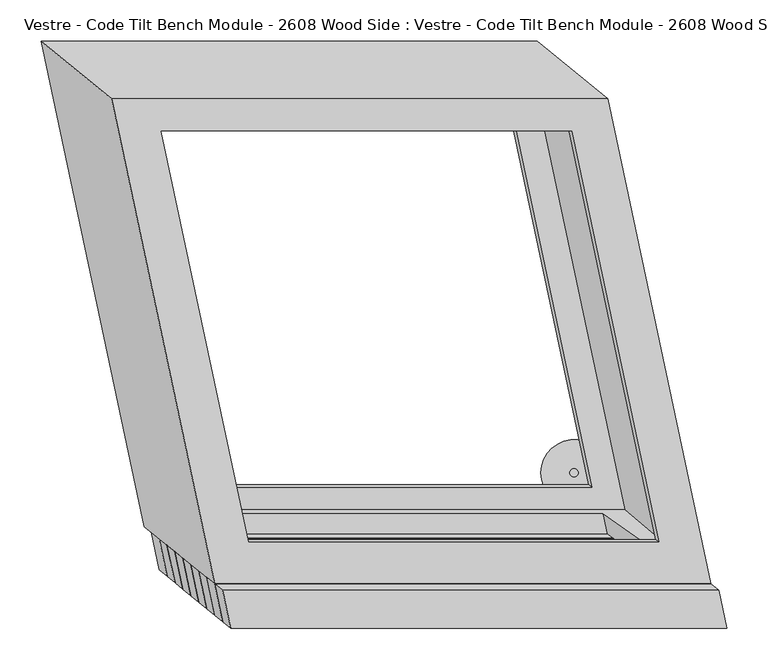
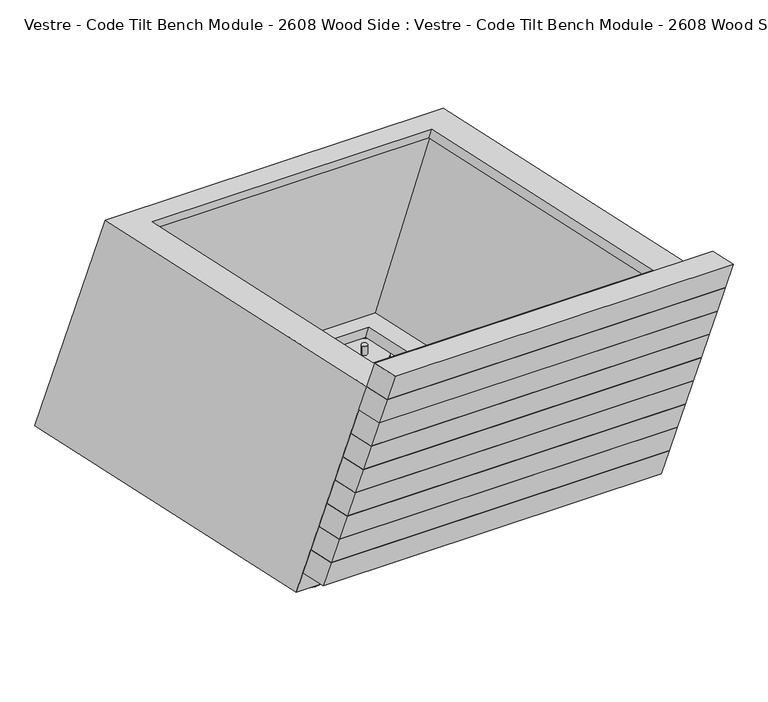
"""IFC4 building model written with IfcOpenShell, lengths in millimetres: furniture geometry, Vestre - Code Tilt Bench Module - 2608 Wood Side : Vestre - Code Tilt Bench Module - 2608 Wood Side."""

import ifcopenshell
import ifcopenshell.guid

model = None  # the IFC model being written
_history = None  # IfcOwnerHistory: only IFC2X3 demands one
_inside = {}  # id of a spatial element -> (the spatial element, [elements in it])
_under = {}  # id of a project, library or spatial element -> (it, [spatial elements below it])
_declared = {}  # id of a project -> (the project, [libraries it declares])
_typed = {}  # id of a type object -> (the type object, [elements of that type])
_made_of = {}  # id of a material, layer set ... -> (it, [elements and type objects made of it])


def new_model(schema):
    """Start an empty IFC model of exactly this schema.

    Asked for "IFC4X3", IfcOpenShell would pick the latest addendum, in which some entities
    have other attributes; the version numbers below select the first issue.
    IFC2X3 requires an IfcOwnerHistory on every rooted entity: one is made here for all.
    """
    global model, _history
    if schema == "IFC4X3":
        model = ifcopenshell.file(schema_version=(4, 3, 0, 0))
    else:
        model = ifcopenshell.file(schema=schema)
    _inside.clear()
    _under.clear()
    _declared.clear()
    _typed.clear()
    _made_of.clear()
    _history = None
    if model.schema == "IFC2X3":
        org = make("IfcOrganization", Name="unknown")
        user = make(
            "IfcPersonAndOrganization",
            ThePerson=make("IfcPerson", FamilyName="unknown"),
            TheOrganization=org,
        )
        app = make(
            "IfcApplication",
            ApplicationDeveloper=org,
            Version="unknown",
            ApplicationFullName="unknown",
            ApplicationIdentifier="unknown",
        )
        _history = make(
            "IfcOwnerHistory",
            OwningUser=user,
            OwningApplication=app,
            ChangeAction="ADDED",
            CreationDate=0,
        )
    return model


def make(cls, **values):
    """One entity of the class cls with the attributes given. An attribute that is None is left unset."""
    return model.create_entity(
        cls, **{name: value for name, value in values.items() if value is not None}
    )


def rooted(cls, **values):
    """An entity with a GlobalId (a new one), such as an element, a storey or a relation."""
    return make(cls, GlobalId=ifcopenshell.guid.new(), OwnerHistory=_history, **values)


def si_unit(unit_type, name, prefix=None):
    """IfcSIUnit, for example si_unit("LENGTHUNIT", "METRE", prefix="MILLI")."""
    return make("IfcSIUnit", UnitType=unit_type, Prefix=prefix, Name=name)


def assignment(units):
    """IfcUnitAssignment: the units of a project."""
    return None if units is None else make("IfcUnitAssignment", Units=units)


def point(xyz):
    """IfcCartesianPoint."""
    return None if xyz is None else make("IfcCartesianPoint", Coordinates=xyz)


def direction(xyz):
    """IfcDirection."""
    return None if xyz is None else make("IfcDirection", DirectionRatios=xyz)


def frame(location, z_axis=None, x_axis=None):
    """IfcAxis2Placement3D, a coordinate frame: its origin and axes. An axis left out is left unset."""
    return make(
        "IfcAxis2Placement3D",
        Location=point(location),
        Axis=direction(z_axis),
        RefDirection=direction(x_axis),
    )


def frame_2d(location, x_axis=None):
    """IfcAxis2Placement2D, a coordinate frame in the plane: its origin and x axis."""
    return make(
        "IfcAxis2Placement2D", Location=point(location), RefDirection=direction(x_axis)
    )


def origin():
    """The frame at (0, 0, 0) with its axes left unset."""
    return frame((0.0, 0.0, 0.0))


def origin_with_axes():
    """The frame at (0, 0, 0) with the z axis (0, 0, 1) and the x axis (1, 0, 0) written out."""
    return frame((0.0, 0.0, 0.0), z_axis=(0.0, 0.0, 1.0), x_axis=(1.0, 0.0, 0.0))


def place(relative_to, where):
    """IfcLocalPlacement: puts the frame where relative to a parent placement (None: the world)."""
    return make(
        "IfcLocalPlacement", PlacementRelTo=relative_to, RelativePlacement=where
    )


def context(
    kind, dimensions, precision=None, world=None, true_north=None, identifier=None
):
    """IfcGeometricRepresentationContext, for example the 3D "Model" context."""
    return make(
        "IfcGeometricRepresentationContext",
        ContextIdentifier=identifier,
        ContextType=kind,
        CoordinateSpaceDimension=dimensions,
        Precision=precision,
        WorldCoordinateSystem=world,
        TrueNorth=true_north,
    )


def project(units=None, contexts=None):
    """IfcProject with its units and contexts."""
    return rooted(
        "IfcProject",
        Name="project",
        RepresentationContexts=contexts,
        UnitsInContext=assignment(units),
    )


def spatial(cls, under=None, at=None, **own):
    """A site, building, storey or space (cls), placed at a placement, below another one or the project."""
    s = rooted(cls, ObjectPlacement=at, **own)
    if under is not None:
        _under.setdefault(under.id(), (under, []))[1].append(s)
    return s


def circle_curve(where, radius):
    """IfcCircle in the frame where."""
    return make("IfcCircle", Position=where, Radius=radius)


def trimmed(basis, trim1, trim2, sense, master):
    """IfcTrimmedCurve: the piece of a basis curve between two trims."""
    return make(
        "IfcTrimmedCurve",
        BasisCurve=basis,
        Trim1=trim1,
        Trim2=trim2,
        SenseAgreement=sense,
        MasterRepresentation=master,
    )


def segment(curve, same_sense, transition):
    """IfcCompositeCurveSegment."""
    return make(
        "IfcCompositeCurveSegment",
        Transition=transition,
        SameSense=same_sense,
        ParentCurve=curve,
    )


def composite_curve(segments, self_intersect=None):
    """IfcCompositeCurve: segments joined end to end."""
    return make("IfcCompositeCurve", Segments=segments, SelfIntersect=self_intersect)


def outline(outer, holes=None, kind="AREA"):
    """IfcArbitraryClosedProfileDef: a profile drawn as a closed curve; with holes, ...WithVoids."""
    if holes is None:
        return make("IfcArbitraryClosedProfileDef", ProfileType=kind, OuterCurve=outer)
    return make(
        "IfcArbitraryProfileDefWithVoids",
        ProfileType=kind,
        OuterCurve=outer,
        InnerCurves=holes,
    )


def extrude(swept, where, along, depth):
    """IfcExtrudedAreaSolid: the profile swept, set in the frame where, extruded along a direction by depth."""
    return make(
        "IfcExtrudedAreaSolid",
        SweptArea=swept,
        Position=where,
        ExtrudedDirection=direction(along),
        Depth=depth,
    )


def faces_of(points, faces, orient=None, outer=None):
    """IfcFace entities. A face is a list of loops; a loop is a list of indices into points, from 0.

    orient and outer hold one flag for each loop. By default every Orientation is true, the
    first loop of a face is its IfcFaceOuterBound and the others are IfcFaceBound.
    """
    made = []
    for i, loops in enumerate(faces):
        bounds = []
        for j, loop in enumerate(loops):
            is_outer = j == 0 if outer is None else outer[i][j]
            bounds.append(
                make(
                    "IfcFaceOuterBound" if is_outer else "IfcFaceBound",
                    Bound=make("IfcPolyLoop", Polygon=[points[k] for k in loop]),
                    Orientation=True if orient is None else orient[i][j],
                )
            )
        made.append(make("IfcFace", Bounds=bounds))
    return made


def faceted_brep(points, faces, orient=None, outer=None, voids=None):
    """IfcFacetedBrep: a solid bounded by flat faces; with voids (closed shells), ...WithVoids."""
    shared = [point(p) for p in points]
    hull = make("IfcClosedShell", CfsFaces=faces_of(shared, faces, orient, outer))
    if voids is None:
        return make("IfcFacetedBrep", Outer=hull)
    return make(
        "IfcFacetedBrepWithVoids",
        Outer=hull,
        Voids=[
            make(cls, CfsFaces=faces_of(shared, fs, o, b)) for cls, fs, o, b in voids
        ],
    )


def shape(context_of_items, identifier, shape_type, items):
    """IfcShapeRepresentation: the items that make up one representation, for example the "Body"."""
    return make(
        "IfcShapeRepresentation",
        ContextOfItems=context_of_items,
        RepresentationIdentifier=identifier,
        RepresentationType=shape_type,
        Items=items,
    )


def source(mapping_origin, context_of_items, identifier, shape_type, items):
    """IfcRepresentationMap: a shape defined once, which mapped items show again and again."""
    return make(
        "IfcRepresentationMap",
        MappingOrigin=mapping_origin,
        MappedRepresentation=shape(context_of_items, identifier, shape_type, items),
    )


def transform(
    local_origin,
    x_axis=None,
    y_axis=None,
    z_axis=None,
    scale=None,
    scale2=None,
    scale3=None,
    uniform=True,
):
    """IfcCartesianTransformationOperator3D, or its non-uniform kind. x_axis, y_axis, z_axis: its Axis1, 2, 3."""
    if uniform:
        return make(
            "IfcCartesianTransformationOperator3D",
            Axis1=direction(x_axis),
            Axis2=direction(y_axis),
            LocalOrigin=point(local_origin),
            Scale=scale,
            Axis3=direction(z_axis),
        )
    return make(
        "IfcCartesianTransformationOperator3DnonUniform",
        Axis1=direction(x_axis),
        Axis2=direction(y_axis),
        LocalOrigin=point(local_origin),
        Scale=scale,
        Axis3=direction(z_axis),
        Scale2=scale2,
        Scale3=scale3,
    )


def mapped(mapping_source, mapping_target):
    """IfcMappedItem: shows the shape of a source again, moved by a transform."""
    return make(
        "IfcMappedItem", MappingSource=mapping_source, MappingTarget=mapping_target
    )


def made_of(thing, what):
    """Note that an element or type object is made of a material, layer set ...; save() writes the relation."""
    if what is not None:
        _made_of.setdefault(what.id(), (what, []))[1].append(thing)
    return thing


def element(
    cls,
    number,
    at=None,
    inside=None,
    cuts=None,
    type_object=None,
    material=None,
    context=None,
    identifier="Body",
    shape_type=None,
    held_by="IfcProductDefinitionShape",
    body=None,
    shapes=None,
    **own,
):
    """One element of the class cls, such as IfcWall. Its Tag is "e" and its number.

    at: its placement. inside: the storey or other place that contains it. cuts: it is an
    opening in that element (IfcRelVoidsElement). A single representation is given by context,
    identifier, shape_type and body (its items); several are given by shapes. held_by: the class
    of the entity that holds the representations. save() writes the other relations.
    """
    e = rooted(cls, Tag="e%d" % number, ObjectPlacement=at, **own)
    if body is not None:
        shapes = [shape(context, identifier, shape_type, body)]
    if shapes is not None:
        e.Representation = make(held_by, Representations=shapes)
    if inside is not None:
        _inside.setdefault(inside.id(), (inside, []))[1].append(e)
    if cuts is not None:
        rooted(
            "IfcRelVoidsElement", RelatingBuildingElement=cuts, RelatedOpeningElement=e
        )
    if type_object is not None:
        _typed.setdefault(type_object.id(), (type_object, []))[1].append(e)
    return made_of(e, material)


def aggregate(whole, parts):
    """IfcRelAggregates: a whole, such as a stair, and the parts it consists of."""
    return rooted("IfcRelAggregates", RelatingObject=whole, RelatedObjects=parts)


def save(model, path):
    """Write the relations noted so far, then the file.

    IfcRelAggregates (storeys below a building ...), IfcRelContainedInSpatialStructure (elements
    in a storey), IfcRelDefinesByType, IfcRelAssociatesMaterial and IfcRelDeclares: one each for
    every whole, place, type object, material and project.
    """
    for whole, parts in _under.values():
        aggregate(whole, parts)
    for where, things in _inside.values():
        rooted(
            "IfcRelContainedInSpatialStructure",
            RelatedElements=things,
            RelatingStructure=where,
        )
    for kind, things in _typed.values():
        rooted("IfcRelDefinesByType", RelatedObjects=things, RelatingType=kind)
    for what, things in _made_of.values():
        rooted("IfcRelAssociatesMaterial", RelatedObjects=things, RelatingMaterial=what)
    for by, libraries in _declared.values():
        rooted("IfcRelDeclares", RelatingContext=by, RelatedDefinitions=libraries)
    model.write(path)


def vestre_code_tilt_bench_module_2608_wood_side_vestre_code_a713d5e0(model_context):
    return source(origin(), model_context, "Body", "SolidModel", [
        faceted_brep([(350.255274, -362.9784336, 419.8134138), (-249.744726, -362.9784336, 419.8134138), (-239.9876954, -408.8816531, 419.8134138), (360.0123046, -408.8816531, 419.8134138), (340.6138375, -355.103719, 374.7462265), (350.370868, -401.0069385, 374.7462265), (-249.629132, -401.0069385, 374.7462265), (-259.3861625, -355.103719, 374.7462265)], [[[0, 1, 2, 3]], [[4, 5, 6, 7]], [[4, 7, 1, 0]], [[7, 6, 2, 1]], [[6, 5, 3, 2]], [[5, 4, 0, 3]]]),
        extrude(outline(composite_curve([segment(trimmed(circle_curve(frame_2d((-379.2374486, 228.4385142)), 5.0), [point((-374.2374486, 228.4385142))], [point((-384.2374486, 228.4385142))], False, "CARTESIAN"), True, "CONTINUOUS"), segment(trimmed(circle_curve(frame_2d((-379.2374486, 228.4385142)), 5.0), [point((-384.2374486, 228.4385142))], [point((-374.2374486, 228.4385142))], False, "CARTESIAN"), True, "CONTINUOUS")], self_intersect=False)), frame((0.0, 0.0, 5.0), z_axis=(0.0, 0.0, 1.0), x_axis=(1.0, 0.0, 0.0)), (0.0, 0.0, 1.0), 16.8677277),
        extrude(outline(composite_curve([segment(trimmed(circle_curve(frame_2d((87.8263213, 228.4385142)), 5.0), [point((92.8263213, 228.4385142))], [point((82.8263213, 228.4385142))], False, "CARTESIAN"), True, "CONTINUOUS"), segment(trimmed(circle_curve(frame_2d((87.8263213, 228.4385142)), 5.0), [point((82.8263213, 228.4385142))], [point((92.8263213, 228.4385142))], False, "CARTESIAN"), True, "CONTINUOUS")], self_intersect=False)), frame((0.0, 0.0, 5.0), z_axis=(0.0, 0.0, 1.0), x_axis=(1.0, 0.0, 0.0)), (0.0, 0.0, 1.0), 16.8677277),
        faceted_brep([(-249.744726, -362.9784336, 419.8134138), (350.255274, -362.9784336, 419.8134138), (225.5082596, 223.9101268, 419.8134138), (-374.4917404, 223.9101268, 419.8134138), (287.594671, -312.2208839, 419.8134138), (-208.6618234, -312.2208839, 419.8134138), (-314.2670481, 184.6126361, 419.8134138), (181.9894462, 184.6126361, 419.8134138), (-334.6932278, -293.4442802, 21.8677277), (-459.4402423, 293.4442802, 21.8677277), (140.5597577, 293.4442802, 21.8677277), (265.3067722, -293.4442802, 21.8677277), (-293.6103253, -242.6867305, 21.8677277), (202.6461691, -242.6867305, 21.8677277), (99.0835894, 244.5369002, 21.8677277), (-397.172905, 244.5369002, 21.8677277), (-209.3488955, -355.103719, 374.7462265), (296.709699, -355.103719, 374.7462265), (225.0941493, -302.1809189, 71.8677277), (-280.9644451, -302.1809189, 71.8677277), (284.0453984, -309.3156453, 403.1866612), (-212.211096, -309.3156453, 403.1866612), (-289.5258429, -246.0300623, 41.0016985), (206.7306515, -246.0300623, 41.0016985), (178.5255183, 187.1163595, 403.1866612), (103.0698576, 241.6556298, 41.0016985), (-317.730976, 187.1163595, 403.1866612), (-393.1866367, 241.6556298, 41.0016985), (-215.0563962, -328.2520393, 374.7462265), (291.0021983, -328.2520393, 374.7462265), (219.9541961, -277.9993402, 71.8677277), (-286.1043984, -277.9993402, 71.8677277), (-224.6981062, -332.9707916, 403.1866612), (-340.5414324, 212.0292084, 403.1866612), (201.2990829, 212.0292084, 403.1866612), (317.142409, -332.9707916, 403.1866612), (-322.5535579, -272.8781405, 41.0016985), (246.6076242, -272.8781405, 41.0016985), (131.2549878, 269.8133464, 41.0016985), (-437.9061944, 269.8133464, 41.0016985)], [[[0, 1, 2, 3], [4, 5, 6, 7]], [[8, 9, 10, 11], [12, 13, 14, 15]], [[1, 0, 8, 11], [16, 17, 18, 19]], [[2, 1, 11, 10]], [[3, 2, 10, 9]], [[0, 3, 9, 8]], [[5, 4, 20, 21]], [[13, 12, 22, 23]], [[4, 7, 24, 20]], [[14, 13, 23, 25]], [[7, 6, 26, 24]], [[15, 14, 25, 27]], [[6, 5, 21, 26]], [[12, 15, 27, 22]], [[17, 16, 28, 29]], [[19, 18, 30, 31]], [[18, 17, 29, 30]], [[16, 19, 31, 28]], [[32, 33, 34, 35], [21, 20, 24, 26]], [[36, 37, 38, 39], [23, 22, 27, 25]], [[32, 35, 37, 36], [29, 28, 31, 30]], [[35, 34, 38, 37]], [[34, 33, 39, 38]], [[33, 32, 36, 39]]]),
        faceted_brep([(282.9125908, -307.8554313, 104.3431028), (-317.0874092, -307.8554313, 104.3431028), (-307.3303787, -353.7586508, 104.3431028), (292.6696213, -353.7586508, 104.3431028), (273.2711542, -299.9807166, 59.2759155), (283.0281847, -345.8839362, 59.2759155), (-316.9718153, -345.8839362, 59.2759155), (-326.7288458, -299.9807166, 59.2759155)], [[[0, 1, 2, 3]], [[4, 5, 6, 7]], [[4, 7, 1, 0]], [[7, 6, 2, 1]], [[6, 5, 3, 2]], [[5, 4, 0, 3]]]),
        faceted_brep([(292.5540273, -315.7301459, 149.4102901), (-307.4459727, -315.7301459, 149.4102901), (-297.6889421, -361.6333654, 149.4102901), (302.3110579, -361.6333654, 149.4102901), (282.9125908, -307.8554313, 104.3431028), (292.6696213, -353.7586508, 104.3431028), (-307.3303787, -353.7586508, 104.3431028), (-317.0874092, -307.8554313, 104.3431028)], [[[0, 1, 2, 3]], [[4, 5, 6, 7]], [[4, 7, 1, 0]], [[7, 6, 2, 1]], [[6, 5, 3, 2]], [[5, 4, 0, 3]]]),
        faceted_brep([(302.1744107, -323.6048605, 194.4774774), (-297.8255893, -323.6048605, 194.4774774), (-288.0685588, -369.50808, 194.4774774), (311.9314412, -369.50808, 194.4774774), (292.5329741, -315.7301459, 149.4102901), (302.2900046, -361.6333654, 149.4102901), (-297.7099954, -361.6333654, 149.4102901), (-307.4670259, -315.7301459, 149.4102901)], [[[0, 1, 2, 3]], [[4, 5, 6, 7]], [[4, 7, 1, 0]], [[7, 6, 2, 1]], [[6, 5, 3, 2]], [[5, 4, 0, 3]]]),
        faceted_brep([(311.794794, -331.4795751, 239.5446646), (-288.205206, -331.4795751, 239.5446646), (-278.4481755, -377.3827947, 239.5446646), (321.5518245, -377.3827947, 239.5446646), (302.1533574, -323.6048605, 194.4774774), (311.9103879, -369.50808, 194.4774774), (-288.0896121, -369.50808, 194.4774774), (-297.8466426, -323.6048605, 194.4774774)], [[[0, 1, 2, 3]], [[4, 5, 6, 7]], [[4, 7, 1, 0]], [[7, 6, 2, 1]], [[6, 5, 3, 2]], [[5, 4, 0, 3]]]),
        faceted_brep([(321.4151773, -339.3542897, 284.6118519), (-278.5848227, -339.3542897, 284.6118519), (-268.8277922, -385.2575093, 284.6118519), (331.1722078, -385.2575093, 284.6118519), (311.7737407, -331.4795751, 239.5446646), (321.5307713, -377.3827947, 239.5446646), (-278.4692287, -377.3827947, 239.5446646), (-288.2262593, -331.4795751, 239.5446646)], [[[0, 1, 2, 3]], [[4, 5, 6, 7]], [[4, 7, 1, 0]], [[7, 6, 2, 1]], [[6, 5, 3, 2]], [[5, 4, 0, 3]]]),
        faceted_brep([(331.0355606, -347.2290044, 329.6790392), (-268.9644394, -347.2290044, 329.6790392), (-259.2074088, -393.1322239, 329.6790392), (340.7925912, -393.1322239, 329.6790392), (321.3941241, -339.3542897, 284.6118519), (331.1511546, -385.2575093, 284.6118519), (-268.8488454, -385.2575093, 284.6118519), (-278.6058759, -339.3542897, 284.6118519)], [[[0, 1, 2, 3]], [[4, 5, 6, 7]], [[4, 7, 1, 0]], [[7, 6, 2, 1]], [[6, 5, 3, 2]], [[5, 4, 0, 3]]]),
        faceted_brep([(340.6138375, -355.103719, 374.7462265), (-259.3861625, -355.103719, 374.7462265), (-249.629132, -401.0069385, 374.7462265), (350.370868, -401.0069385, 374.7462265), (330.9724009, -347.2290044, 329.6790392), (340.7294314, -393.1322239, 329.6790392), (-259.2705686, -393.1322239, 329.6790392), (-269.0275991, -347.2290044, 329.6790392)], [[[0, 1, 2, 3]], [[4, 5, 6, 7]], [[4, 7, 1, 0]], [[7, 6, 2, 1]], [[6, 5, 3, 2]], [[5, 4, 0, 3]]]),
        faceted_brep([(359.9011452, -370.8740111, 465.0), (-240.0988548, -370.8740111, 465.0), (-230.3425876, -416.7736396, 465.0), (369.6574124, -416.7736396, 465.0), (350.255274, -362.9784336, 419.8134138), (360.0123046, -408.8816531, 419.8134138), (-239.9876954, -408.8816531, 419.8134138), (-249.744726, -362.9784336, 419.8134138)], [[[0, 1, 2, 3]], [[4, 5, 6, 7]], [[4, 7, 1, 0]], [[7, 6, 2, 1]], [[6, 5, 3, 2]], [[5, 4, 0, 3]]]),
        extrude(outline(composite_curve([segment(trimmed(circle_curve(frame_2d((-379.2930885, 228.6816045)), 40.0), [point((-339.2930885, 228.6816045))], [point((-419.2930885, 228.6816045))], False, "CARTESIAN"), True, "CONTINUOUS"), segment(trimmed(circle_curve(frame_2d((-379.2930885, 228.6816045)), 40.0), [point((-419.2930885, 228.6816045))], [point((-339.2930885, 228.6816045))], False, "CARTESIAN"), True, "CONTINUOUS")], self_intersect=False)), origin_with_axes(), (0.0, 0.0, 1.0), 5.0),
        extrude(outline(composite_curve([segment(trimmed(circle_curve(frame_2d((87.7706813, 228.6816045)), 40.0), [point((127.7706813, 228.6816045))], [point((47.7706813, 228.6816045))], False, "CARTESIAN"), True, "CONTINUOUS"), segment(trimmed(circle_curve(frame_2d((87.7706813, 228.6816045)), 40.0), [point((47.7706813, 228.6816045))], [point((127.7706813, 228.6816045))], False, "CARTESIAN"), True, "CONTINUOUS")], self_intersect=False)), origin_with_axes(), (0.0, 0.0, 1.0), 5.0),
        extrude(outline(composite_curve([segment(trimmed(circle_curve(frame_2d((-282.0328456, -228.5027868)), 5.0), [point((-287.0328456, -228.5027868))], [point((-277.0328456, -228.5027868))], False, "CARTESIAN"), True, "CONTINUOUS"), segment(trimmed(circle_curve(frame_2d((-282.0328456, -228.5027868)), 5.0), [point((-277.0328456, -228.5027868))], [point((-287.0328456, -228.5027868))], False, "CARTESIAN"), True, "CONTINUOUS")], self_intersect=False)), frame((0.0, 0.0, 5.0), z_axis=(0.0, 0.0, 1.0), x_axis=(1.0, 0.0, 0.0)), (0.0, 0.0, 1.0), 16.8677277),
        extrude(outline(composite_curve([segment(trimmed(circle_curve(frame_2d((184.9661106, -228.5027868)), 5.0), [point((179.9661106, -228.5027868))], [point((189.9661106, -228.5027868))], False, "CARTESIAN"), True, "CONTINUOUS"), segment(trimmed(circle_curve(frame_2d((184.9661106, -228.5027868)), 5.0), [point((189.9661106, -228.5027868))], [point((179.9661106, -228.5027868))], False, "CARTESIAN"), True, "CONTINUOUS")], self_intersect=False)), frame((0.0, 0.0, 5.0), z_axis=(0.0, 0.0, 1.0), x_axis=(1.0, 0.0, 0.0)), (0.0, 0.0, 1.0), 16.8677277),
        extrude(outline(composite_curve([segment(trimmed(circle_curve(frame_2d((-281.9772057, -228.2596966)), 40.0), [point((-321.9772057, -228.2596966))], [point((-241.9772057, -228.2596966))], False, "CARTESIAN"), True, "CONTINUOUS"), segment(trimmed(circle_curve(frame_2d((-281.9772057, -228.2596966)), 40.0), [point((-241.9772057, -228.2596966))], [point((-321.9772057, -228.2596966))], False, "CARTESIAN"), True, "CONTINUOUS")], self_intersect=False)), origin_with_axes(), (0.0, 0.0, 1.0), 5.0),
        extrude(outline(composite_curve([segment(trimmed(circle_curve(frame_2d((185.0217505, -228.2596966)), 40.0), [point((145.0217505, -228.2596966))], [point((225.0217505, -228.2596966))], False, "CARTESIAN"), True, "CONTINUOUS"), segment(trimmed(circle_curve(frame_2d((185.0217505, -228.2596966)), 40.0), [point((225.0217505, -228.2596966))], [point((145.0217505, -228.2596966))], False, "CARTESIAN"), True, "CONTINUOUS")], self_intersect=False)), origin_with_axes(), (0.0, 0.0, 1.0), 5.0),
    ])


if __name__ == "__main__":
    model = new_model("IFC4")
    model_context = context("Model", 3, world=origin())
    ifc_project = project(units=[si_unit("LENGTHUNIT", "METRE", prefix="MILLI")], contexts=[model_context])
    site = spatial("IfcSite", under=ifc_project)
    building = spatial("IfcBuilding", under=site)
    placement = place(None, origin())
    vestre_code_tilt_bench_module_2608_wood_side_vestre_code_shape = vestre_code_tilt_bench_module_2608_wood_side_vestre_code_a713d5e0(model_context)
    element("IfcFurniture", 1, ObjectType="Vestre - Code Tilt Bench Module - 2608 Wood Side : Vestre - Code Tilt Bench Module - 2608 Wood Side", at=placement, inside=building, context=model_context, shape_type="MappedRepresentation", body=[
        mapped(vestre_code_tilt_bench_module_2608_wood_side_vestre_code_shape, transform((0.0, 0.0, 0.0), x_axis=(1.0, 0.0, 0.0), y_axis=(0.0, 1.0, 0.0), z_axis=(0.0, 0.0, 1.0))),
    ])
    save(model, "model.ifc")
